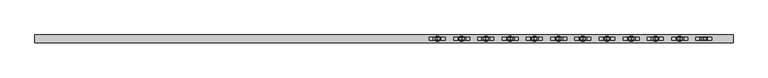
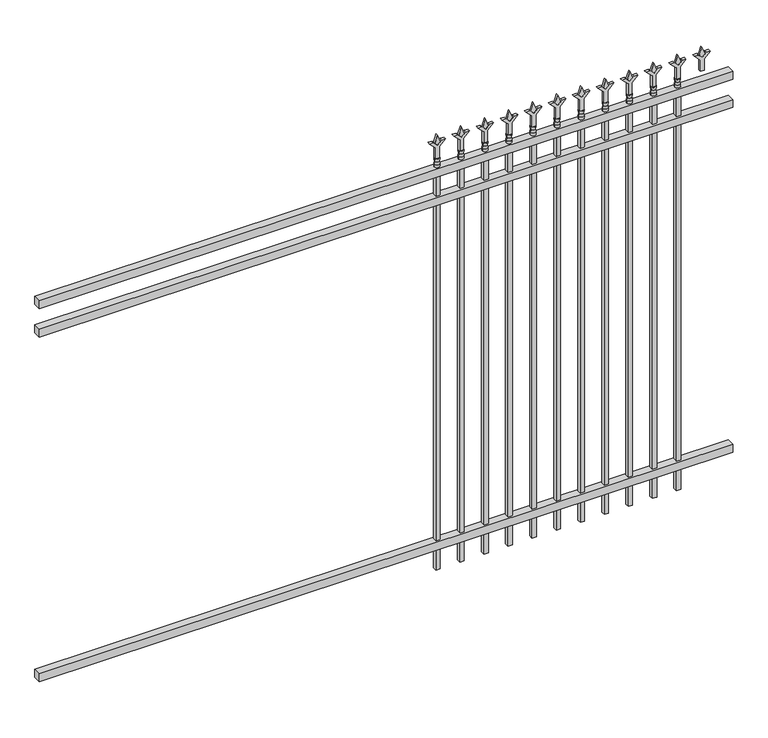
"""IFC4 building model written with IfcOpenShell, lengths in millimetres: railing geometry."""

from ifc_helpers import new_model, si_unit, frame, origin, place, context, project, spatial, polyline, circle_curve, outline, extrude, source, transform, mapped, element, save
from ifc_brep_helpers import plane_surface, cylinder_surface, revolved_surface, advanced_brep


def railing_8362f652(model_context):
    return source(origin(), model_context, "Body", "SolidModel", [
        extrude(outline(polyline([(-61345.318087, -3091.1195174), (-61345.318087, -3056.1945174), (-58195.718087, -3056.1945174), (-58195.718087, -3091.1195174), (-61345.318087, -3091.1195174)])), frame((0.0, 0.0, 1943.1), z_axis=(0.0, 0.0, 1.0), x_axis=(1.0, 0.0, 0.0)), (0.0, 0.0, 1.0), 38.1),
        extrude(outline(polyline([(-61345.318087, -3091.1195174), (-61345.318087, -3056.1945174), (-58195.718087, -3056.1945174), (-58195.718087, -3091.1195174), (-61345.318087, -3091.1195174)])), frame((0.0, 0.0, 1806.575), z_axis=(0.0, 0.0, 1.0), x_axis=(1.0, 0.0, 0.0)), (0.0, 0.0, 1.0), 38.1),
        extrude(outline(polyline([(-61345.318087, -3091.1195174), (-61345.318087, -3056.1945174), (-58195.718087, -3056.1945174), (-58195.718087, -3091.1195174), (-61345.318087, -3091.1195174)])), frame((0.0, 0.0, 152.4), z_axis=(0.0, 0.0, 1.0), x_axis=(1.0, 0.0, 0.0)), (0.0, 0.0, 1.0), 38.1),
        extrude(outline(polyline([(2097.88125, -58424.8472536), (2133.6, -58436.7535036), (2097.88125, -58448.6597536), (2085.975, -58436.7535036), (2097.88125, -58424.8472536)])), frame((0.0, -3078.4195174, 0.0), z_axis=(0.0, 1.0, 0.0), x_axis=(0.0, 0.0, 1.0)), (0.0, 0.0, 1.0), 9.525),
        extrude(outline(polyline([(2022.475, -58428.0222536), (2076.7457378, -58428.0222536), (2103.9355122, -58400.8324791), (2103.9355122, -58418.7929914), (2085.975, -58436.7535036), (2103.9355122, -58454.7140159), (2103.9355122, -58472.6745281), (2076.7457378, -58445.4847536), (2022.475, -58445.4847536), (2022.475, -58428.0222536)])), frame((0.0, -3080.0070174, 0.0), z_axis=(0.0, 1.0, 0.0), x_axis=(0.0, 0.0, 1.0)), (0.0, 0.0, 1.0), 12.7),
        advanced_brep(
        [(-58424.8472536, -3073.6570174, 1993.9), (-58448.6597536, -3073.6570174, 1993.9), (-58448.6597536, -3073.6570174, 1981.2), (-58424.8472536, -3073.6570174, 1981.2), (-58427.0525855, -3073.6570174, 2006.4070585), (-58446.4544218, -3073.6570174, 2006.4070585), (-58424.8472536, -3073.6570174, 2022.475), (-58448.6597536, -3073.6570174, 2022.475), (-58436.7535036, -3073.6570174, 2022.475), (-58436.7535036, -3073.6570174, 1981.2)],
        [
            (0, 1, circle_curve(frame((-58436.7535036, -3073.6570174, 1993.9), z_axis=(0.0, 0.0, -1.0), x_axis=(-1.0, 0.0, 0.0)), 11.90625)),
            (1, 2),
            (2, 3, circle_curve(frame((-58436.7535036, -3073.6570174, 1981.2), z_axis=(0.0, 0.0, 1.0), x_axis=(-1.0, 0.0, 0.0)), 11.90625)),
            (3, 0),
            (1, 0, circle_curve(frame((-58436.7535036, -3073.6570174, 1993.9), z_axis=(0.0, 0.0, -1.0), x_axis=(-1.0, 0.0, 0.0)), 11.90625)),
            (3, 2, circle_curve(frame((-58436.7535036, -3073.6570174, 1981.2), z_axis=(0.0, 0.0, 1.0), x_axis=(-1.0, 0.0, 0.0)), 11.90625)),
            (4, 5, circle_curve(frame((-58436.7535036, -3073.6570174, 2006.4070585), z_axis=(0.0, 0.0, -1.0), x_axis=(-1.0, 0.0, 0.0)), 9.7009181)),
            (5, 1),
            (0, 4),
            (5, 4, circle_curve(frame((-58436.7535036, -3073.6570174, 2006.4070585), z_axis=(0.0, 0.0, -1.0), x_axis=(-1.0, 0.0, 0.0)), 9.7009181)),
            (6, 7, circle_curve(frame((-58436.7535036, -3073.6570174, 2022.475), z_axis=(0.0, 0.0, -1.0), x_axis=(-1.0, 0.0, 0.0)), 11.90625)),
            (7, 5),
            (4, 6),
            (7, 6, circle_curve(frame((-58436.7535036, -3073.6570174, 2022.475), z_axis=(0.0, 0.0, -1.0), x_axis=(-1.0, 0.0, 0.0)), 11.90625)),
            (8, 7),
            (6, 8),
            (2, 9),
            (9, 3),
        ],
        [
            cylinder_surface(frame((-58436.7535036, -3073.6570174, 1981.2), z_axis=(0.0, 0.0, 1.0), x_axis=(-1.0, 0.0, 0.0)), 11.90625),
            revolved_surface(polyline([(-58448.6597536, -3073.6570174, 1993.9), (-58446.4544218, -3073.6570174, 2006.4070585)]), (-58436.7535036, -3073.6570174, 1981.2), (0.0, 0.0, 1.0)),
            revolved_surface(polyline([(-58446.4544218, -3073.6570174, 2006.4070585), (-58448.6597536, -3073.6570174, 2022.475)]), (-58436.7535036, -3073.6570174, 1981.2), (0.0, 0.0, 1.0)),
            plane_surface(frame((-58436.7535036, -3073.6570174, 2022.475), z_axis=(0.0, 0.0, 1.0), x_axis=(-1.0, 0.0, 0.0))),
            plane_surface(frame((-58436.7535036, -3073.6570174, 1981.2), z_axis=(0.0, 0.0, -1.0), x_axis=(-1.0, 0.0, 0.0))),
        ],
        [
            (0, [[1, 2, 3, 4]]),
            (0, [[5, -4, 6, -2]]),
            (1, [[7, 8, -1, 9]]),
            (1, [[10, -9, -5, -8]]),
            (2, [[11, 12, -7, 13]]),
            (2, [[14, -13, -10, -12]]),
            (3, [[15, -11, 16]]),
            (3, [[-16, -14, -15]]),
            (4, [[-3, 17, 18]]),
            (4, [[-6, -18, -17]]),
        ],
    ),
        extrude(outline(polyline([(-58446.2785036, -3064.1320174), (-58427.2285036, -3064.1320174), (-58427.2285036, -3083.1820174), (-58446.2785036, -3083.1820174), (-58446.2785036, -3064.1320174)])), frame((0.0, 0.0, 50.8), z_axis=(0.0, 0.0, 1.0), x_axis=(1.0, 0.0, 0.0)), (0.0, 0.0, 1.0), 1930.4),
        extrude(outline(polyline([(2097.88125, -58534.1201703), (2133.6, -58546.0264203), (2097.88125, -58557.9326703), (2085.975, -58546.0264203), (2097.88125, -58534.1201703)])), frame((0.0, -3078.4195174, 0.0), z_axis=(0.0, 1.0, 0.0), x_axis=(0.0, 0.0, 1.0)), (0.0, 0.0, 1.0), 9.525),
        extrude(outline(polyline([(2022.475, -58537.2951703), (2076.7457378, -58537.2951703), (2103.9355122, -58510.1053958), (2103.9355122, -58528.0659081), (2085.975, -58546.0264203), (2103.9355122, -58563.9869325), (2103.9355122, -58581.9474448), (2076.7457378, -58554.7576703), (2022.475, -58554.7576703), (2022.475, -58537.2951703)])), frame((0.0, -3080.0070174, 0.0), z_axis=(0.0, 1.0, 0.0), x_axis=(0.0, 0.0, 1.0)), (0.0, 0.0, 1.0), 12.7),
        advanced_brep(
        [(-58534.1201703, -3073.6570174, 1993.9), (-58557.9326703, -3073.6570174, 1993.9), (-58557.9326703, -3073.6570174, 1981.2), (-58534.1201703, -3073.6570174, 1981.2), (-58536.3255022, -3073.6570174, 2006.4070585), (-58555.7273384, -3073.6570174, 2006.4070585), (-58534.1201703, -3073.6570174, 2022.475), (-58557.9326703, -3073.6570174, 2022.475), (-58546.0264203, -3073.6570174, 2022.475), (-58546.0264203, -3073.6570174, 1981.2)],
        [
            (0, 1, circle_curve(frame((-58546.0264203, -3073.6570174, 1993.9), z_axis=(0.0, 0.0, -1.0), x_axis=(-1.0, 0.0, 0.0)), 11.90625)),
            (1, 2),
            (2, 3, circle_curve(frame((-58546.0264203, -3073.6570174, 1981.2), z_axis=(0.0, 0.0, 1.0), x_axis=(-1.0, 0.0, 0.0)), 11.90625)),
            (3, 0),
            (1, 0, circle_curve(frame((-58546.0264203, -3073.6570174, 1993.9), z_axis=(0.0, 0.0, -1.0), x_axis=(-1.0, 0.0, 0.0)), 11.90625)),
            (3, 2, circle_curve(frame((-58546.0264203, -3073.6570174, 1981.2), z_axis=(0.0, 0.0, 1.0), x_axis=(-1.0, 0.0, 0.0)), 11.90625)),
            (4, 5, circle_curve(frame((-58546.0264203, -3073.6570174, 2006.4070585), z_axis=(0.0, 0.0, -1.0), x_axis=(-1.0, 0.0, 0.0)), 9.7009181)),
            (5, 1),
            (0, 4),
            (5, 4, circle_curve(frame((-58546.0264203, -3073.6570174, 2006.4070585), z_axis=(0.0, 0.0, -1.0), x_axis=(-1.0, 0.0, 0.0)), 9.7009181)),
            (6, 7, circle_curve(frame((-58546.0264203, -3073.6570174, 2022.475), z_axis=(0.0, 0.0, -1.0), x_axis=(-1.0, 0.0, 0.0)), 11.90625)),
            (7, 5),
            (4, 6),
            (7, 6, circle_curve(frame((-58546.0264203, -3073.6570174, 2022.475), z_axis=(0.0, 0.0, -1.0), x_axis=(-1.0, 0.0, 0.0)), 11.90625)),
            (8, 7),
            (6, 8),
            (2, 9),
            (9, 3),
        ],
        [
            cylinder_surface(frame((-58546.0264203, -3073.6570174, 1981.2), z_axis=(0.0, 0.0, 1.0), x_axis=(-1.0, 0.0, 0.0)), 11.90625),
            revolved_surface(polyline([(-58557.9326703, -3073.6570174, 1993.9), (-58555.7273384, -3073.6570174, 2006.4070585)]), (-58546.0264203, -3073.6570174, 1981.2), (0.0, 0.0, 1.0)),
            revolved_surface(polyline([(-58555.7273384, -3073.6570174, 2006.4070585), (-58557.9326703, -3073.6570174, 2022.475)]), (-58546.0264203, -3073.6570174, 1981.2), (0.0, 0.0, 1.0)),
            plane_surface(frame((-58546.0264203, -3073.6570174, 2022.475), z_axis=(0.0, 0.0, 1.0), x_axis=(-1.0, 0.0, 0.0))),
            plane_surface(frame((-58546.0264203, -3073.6570174, 1981.2), z_axis=(0.0, 0.0, -1.0), x_axis=(-1.0, 0.0, 0.0))),
        ],
        [
            (0, [[1, 2, 3, 4]]),
            (0, [[5, -4, 6, -2]]),
            (1, [[7, 8, -1, 9]]),
            (1, [[10, -9, -5, -8]]),
            (2, [[11, 12, -7, 13]]),
            (2, [[14, -13, -10, -12]]),
            (3, [[15, -11, 16]]),
            (3, [[-16, -14, -15]]),
            (4, [[-3, 17, 18]]),
            (4, [[-6, -18, -17]]),
        ],
    ),
        extrude(outline(polyline([(-58555.5514203, -3064.1320174), (-58536.5014203, -3064.1320174), (-58536.5014203, -3083.1820174), (-58555.5514203, -3083.1820174), (-58555.5514203, -3064.1320174)])), frame((0.0, 0.0, 50.8), z_axis=(0.0, 0.0, 1.0), x_axis=(1.0, 0.0, 0.0)), (0.0, 0.0, 1.0), 1930.4),
        extrude(outline(polyline([(2097.88125, -58643.393087), (2133.6, -58655.299337), (2097.88125, -58667.205587), (2085.975, -58655.299337), (2097.88125, -58643.393087)])), frame((0.0, -3078.4195174, 0.0), z_axis=(0.0, 1.0, 0.0), x_axis=(0.0, 0.0, 1.0)), (0.0, 0.0, 1.0), 9.525),
        extrude(outline(polyline([(2022.475, -58646.568087), (2076.7457378, -58646.568087), (2103.9355122, -58619.3783125), (2103.9355122, -58637.3388247), (2085.975, -58655.299337), (2103.9355122, -58673.2598492), (2103.9355122, -58691.2203614), (2076.7457378, -58664.030587), (2022.475, -58664.030587), (2022.475, -58646.568087)])), frame((0.0, -3080.0070174, 0.0), z_axis=(0.0, 1.0, 0.0), x_axis=(0.0, 0.0, 1.0)), (0.0, 0.0, 1.0), 12.7),
        advanced_brep(
        [(-58643.393087, -3073.6570174, 1993.9), (-58667.205587, -3073.6570174, 1993.9), (-58667.205587, -3073.6570174, 1981.2), (-58643.393087, -3073.6570174, 1981.2), (-58645.5984188, -3073.6570174, 2006.4070585), (-58665.0002551, -3073.6570174, 2006.4070585), (-58643.393087, -3073.6570174, 2022.475), (-58667.205587, -3073.6570174, 2022.475), (-58655.299337, -3073.6570174, 2022.475), (-58655.299337, -3073.6570174, 1981.2)],
        [
            (0, 1, circle_curve(frame((-58655.299337, -3073.6570174, 1993.9), z_axis=(0.0, 0.0, -1.0), x_axis=(-1.0, 0.0, 0.0)), 11.90625)),
            (1, 2),
            (2, 3, circle_curve(frame((-58655.299337, -3073.6570174, 1981.2), z_axis=(0.0, 0.0, 1.0), x_axis=(-1.0, 0.0, 0.0)), 11.90625)),
            (3, 0),
            (1, 0, circle_curve(frame((-58655.299337, -3073.6570174, 1993.9), z_axis=(0.0, 0.0, -1.0), x_axis=(-1.0, 0.0, 0.0)), 11.90625)),
            (3, 2, circle_curve(frame((-58655.299337, -3073.6570174, 1981.2), z_axis=(0.0, 0.0, 1.0), x_axis=(-1.0, 0.0, 0.0)), 11.90625)),
            (4, 5, circle_curve(frame((-58655.299337, -3073.6570174, 2006.4070585), z_axis=(0.0, 0.0, -1.0), x_axis=(-1.0, 0.0, 0.0)), 9.7009181)),
            (5, 1),
            (0, 4),
            (5, 4, circle_curve(frame((-58655.299337, -3073.6570174, 2006.4070585), z_axis=(0.0, 0.0, -1.0), x_axis=(-1.0, 0.0, 0.0)), 9.7009181)),
            (6, 7, circle_curve(frame((-58655.299337, -3073.6570174, 2022.475), z_axis=(0.0, 0.0, -1.0), x_axis=(-1.0, 0.0, 0.0)), 11.90625)),
            (7, 5),
            (4, 6),
            (7, 6, circle_curve(frame((-58655.299337, -3073.6570174, 2022.475), z_axis=(0.0, 0.0, -1.0), x_axis=(-1.0, 0.0, 0.0)), 11.90625)),
            (8, 7),
            (6, 8),
            (2, 9),
            (9, 3),
        ],
        [
            cylinder_surface(frame((-58655.299337, -3073.6570174, 1981.2), z_axis=(0.0, 0.0, 1.0), x_axis=(-1.0, 0.0, 0.0)), 11.90625),
            revolved_surface(polyline([(-58667.205587, -3073.6570174, 1993.9), (-58665.0002551, -3073.6570174, 2006.4070585)]), (-58655.299337, -3073.6570174, 1981.2), (0.0, 0.0, 1.0)),
            revolved_surface(polyline([(-58665.0002551, -3073.6570174, 2006.4070585), (-58667.205587, -3073.6570174, 2022.475)]), (-58655.299337, -3073.6570174, 1981.2), (0.0, 0.0, 1.0)),
            plane_surface(frame((-58655.299337, -3073.6570174, 2022.475), z_axis=(0.0, 0.0, 1.0), x_axis=(-1.0, 0.0, 0.0))),
            plane_surface(frame((-58655.299337, -3073.6570174, 1981.2), z_axis=(0.0, 0.0, -1.0), x_axis=(-1.0, 0.0, 0.0))),
        ],
        [
            (0, [[1, 2, 3, 4]]),
            (0, [[5, -4, 6, -2]]),
            (1, [[7, 8, -1, 9]]),
            (1, [[10, -9, -5, -8]]),
            (2, [[11, 12, -7, 13]]),
            (2, [[14, -13, -10, -12]]),
            (3, [[15, -11, 16]]),
            (3, [[-16, -14, -15]]),
            (4, [[-3, 17, 18]]),
            (4, [[-6, -18, -17]]),
        ],
    ),
        extrude(outline(polyline([(-58664.824337, -3064.1320174), (-58645.774337, -3064.1320174), (-58645.774337, -3083.1820174), (-58664.824337, -3083.1820174), (-58664.824337, -3064.1320174)])), frame((0.0, 0.0, 50.8), z_axis=(0.0, 0.0, 1.0), x_axis=(1.0, 0.0, 0.0)), (0.0, 0.0, 1.0), 1930.4),
        extrude(outline(polyline([(2097.88125, -58752.6660036), (2133.6, -58764.5722536), (2097.88125, -58776.4785036), (2085.975, -58764.5722536), (2097.88125, -58752.6660036)])), frame((0.0, -3078.4195174, 0.0), z_axis=(0.0, 1.0, 0.0), x_axis=(0.0, 0.0, 1.0)), (0.0, 0.0, 1.0), 9.525),
        extrude(outline(polyline([(2022.475, -58755.8410036), (2076.7457378, -58755.8410036), (2103.9355122, -58728.6512291), (2103.9355122, -58746.6117414), (2085.975, -58764.5722536), (2103.9355122, -58782.5327659), (2103.9355122, -58800.4932781), (2076.7457378, -58773.3035036), (2022.475, -58773.3035036), (2022.475, -58755.8410036)])), frame((0.0, -3080.0070174, 0.0), z_axis=(0.0, 1.0, 0.0), x_axis=(0.0, 0.0, 1.0)), (0.0, 0.0, 1.0), 12.7),
        advanced_brep(
        [(-58752.6660036, -3073.6570174, 1993.9), (-58776.4785036, -3073.6570174, 1993.9), (-58776.4785036, -3073.6570174, 1981.2), (-58752.6660036, -3073.6570174, 1981.2), (-58754.8713355, -3073.6570174, 2006.4070585), (-58774.2731718, -3073.6570174, 2006.4070585), (-58752.6660036, -3073.6570174, 2022.475), (-58776.4785036, -3073.6570174, 2022.475), (-58764.5722536, -3073.6570174, 2022.475), (-58764.5722536, -3073.6570174, 1981.2)],
        [
            (0, 1, circle_curve(frame((-58764.5722536, -3073.6570174, 1993.9), z_axis=(0.0, 0.0, -1.0), x_axis=(-1.0, 0.0, 0.0)), 11.90625)),
            (1, 2),
            (2, 3, circle_curve(frame((-58764.5722536, -3073.6570174, 1981.2), z_axis=(0.0, 0.0, 1.0), x_axis=(-1.0, 0.0, 0.0)), 11.90625)),
            (3, 0),
            (1, 0, circle_curve(frame((-58764.5722536, -3073.6570174, 1993.9), z_axis=(0.0, 0.0, -1.0), x_axis=(-1.0, 0.0, 0.0)), 11.90625)),
            (3, 2, circle_curve(frame((-58764.5722536, -3073.6570174, 1981.2), z_axis=(0.0, 0.0, 1.0), x_axis=(-1.0, 0.0, 0.0)), 11.90625)),
            (4, 5, circle_curve(frame((-58764.5722536, -3073.6570174, 2006.4070585), z_axis=(0.0, 0.0, -1.0), x_axis=(-1.0, 0.0, 0.0)), 9.7009181)),
            (5, 1),
            (0, 4),
            (5, 4, circle_curve(frame((-58764.5722536, -3073.6570174, 2006.4070585), z_axis=(0.0, 0.0, -1.0), x_axis=(-1.0, 0.0, 0.0)), 9.7009181)),
            (6, 7, circle_curve(frame((-58764.5722536, -3073.6570174, 2022.475), z_axis=(0.0, 0.0, -1.0), x_axis=(-1.0, 0.0, 0.0)), 11.90625)),
            (7, 5),
            (4, 6),
            (7, 6, circle_curve(frame((-58764.5722536, -3073.6570174, 2022.475), z_axis=(0.0, 0.0, -1.0), x_axis=(-1.0, 0.0, 0.0)), 11.90625)),
            (8, 7),
            (6, 8),
            (2, 9),
            (9, 3),
        ],
        [
            cylinder_surface(frame((-58764.5722536, -3073.6570174, 1981.2), z_axis=(0.0, 0.0, 1.0), x_axis=(-1.0, 0.0, 0.0)), 11.90625),
            revolved_surface(polyline([(-58776.4785036, -3073.6570174, 1993.9), (-58774.2731718, -3073.6570174, 2006.4070585)]), (-58764.5722536, -3073.6570174, 1981.2), (0.0, 0.0, 1.0)),
            revolved_surface(polyline([(-58774.2731718, -3073.6570174, 2006.4070585), (-58776.4785036, -3073.6570174, 2022.475)]), (-58764.5722536, -3073.6570174, 1981.2), (0.0, 0.0, 1.0)),
            plane_surface(frame((-58764.5722536, -3073.6570174, 2022.475), z_axis=(0.0, 0.0, 1.0), x_axis=(-1.0, 0.0, 0.0))),
            plane_surface(frame((-58764.5722536, -3073.6570174, 1981.2), z_axis=(0.0, 0.0, -1.0), x_axis=(-1.0, 0.0, 0.0))),
        ],
        [
            (0, [[1, 2, 3, 4]]),
            (0, [[5, -4, 6, -2]]),
            (1, [[7, 8, -1, 9]]),
            (1, [[10, -9, -5, -8]]),
            (2, [[11, 12, -7, 13]]),
            (2, [[14, -13, -10, -12]]),
            (3, [[15, -11, 16]]),
            (3, [[-16, -14, -15]]),
            (4, [[-3, 17, 18]]),
            (4, [[-6, -18, -17]]),
        ],
    ),
        extrude(outline(polyline([(-58774.0972536, -3064.1320174), (-58755.0472536, -3064.1320174), (-58755.0472536, -3083.1820174), (-58774.0972536, -3083.1820174), (-58774.0972536, -3064.1320174)])), frame((0.0, 0.0, 50.8), z_axis=(0.0, 0.0, 1.0), x_axis=(1.0, 0.0, 0.0)), (0.0, 0.0, 1.0), 1930.4),
        extrude(outline(polyline([(2097.88125, -58861.9389203), (2133.6, -58873.8451703), (2097.88125, -58885.7514203), (2085.975, -58873.8451703), (2097.88125, -58861.9389203)])), frame((0.0, -3078.4195174, 0.0), z_axis=(0.0, 1.0, 0.0), x_axis=(0.0, 0.0, 1.0)), (0.0, 0.0, 1.0), 9.525),
        extrude(outline(polyline([(2022.475, -58865.1139203), (2076.7457378, -58865.1139203), (2103.9355122, -58837.9241458), (2103.9355122, -58855.8846581), (2085.975, -58873.8451703), (2103.9355122, -58891.8056825), (2103.9355122, -58909.7661948), (2076.7457378, -58882.5764203), (2022.475, -58882.5764203), (2022.475, -58865.1139203)])), frame((0.0, -3080.0070174, 0.0), z_axis=(0.0, 1.0, 0.0), x_axis=(0.0, 0.0, 1.0)), (0.0, 0.0, 1.0), 12.7),
        advanced_brep(
        [(-58861.9389203, -3073.6570174, 1993.9), (-58885.7514203, -3073.6570174, 1993.9), (-58885.7514203, -3073.6570174, 1981.2), (-58861.9389203, -3073.6570174, 1981.2), (-58864.1442522, -3073.6570174, 2006.4070585), (-58883.5460884, -3073.6570174, 2006.4070585), (-58861.9389203, -3073.6570174, 2022.475), (-58885.7514203, -3073.6570174, 2022.475), (-58873.8451703, -3073.6570174, 2022.475), (-58873.8451703, -3073.6570174, 1981.2)],
        [
            (0, 1, circle_curve(frame((-58873.8451703, -3073.6570174, 1993.9), z_axis=(0.0, 0.0, -1.0), x_axis=(-1.0, 0.0, 0.0)), 11.90625)),
            (1, 2),
            (2, 3, circle_curve(frame((-58873.8451703, -3073.6570174, 1981.2), z_axis=(0.0, 0.0, 1.0), x_axis=(-1.0, 0.0, 0.0)), 11.90625)),
            (3, 0),
            (1, 0, circle_curve(frame((-58873.8451703, -3073.6570174, 1993.9), z_axis=(0.0, 0.0, -1.0), x_axis=(-1.0, 0.0, 0.0)), 11.90625)),
            (3, 2, circle_curve(frame((-58873.8451703, -3073.6570174, 1981.2), z_axis=(0.0, 0.0, 1.0), x_axis=(-1.0, 0.0, 0.0)), 11.90625)),
            (4, 5, circle_curve(frame((-58873.8451703, -3073.6570174, 2006.4070585), z_axis=(0.0, 0.0, -1.0), x_axis=(-1.0, 0.0, 0.0)), 9.7009181)),
            (5, 1),
            (0, 4),
            (5, 4, circle_curve(frame((-58873.8451703, -3073.6570174, 2006.4070585), z_axis=(0.0, 0.0, -1.0), x_axis=(-1.0, 0.0, 0.0)), 9.7009181)),
            (6, 7, circle_curve(frame((-58873.8451703, -3073.6570174, 2022.475), z_axis=(0.0, 0.0, -1.0), x_axis=(-1.0, 0.0, 0.0)), 11.90625)),
            (7, 5),
            (4, 6),
            (7, 6, circle_curve(frame((-58873.8451703, -3073.6570174, 2022.475), z_axis=(0.0, 0.0, -1.0), x_axis=(-1.0, 0.0, 0.0)), 11.90625)),
            (8, 7),
            (6, 8),
            (2, 9),
            (9, 3),
        ],
        [
            cylinder_surface(frame((-58873.8451703, -3073.6570174, 1981.2), z_axis=(0.0, 0.0, 1.0), x_axis=(-1.0, 0.0, 0.0)), 11.90625),
            revolved_surface(polyline([(-58885.7514203, -3073.6570174, 1993.9), (-58883.5460884, -3073.6570174, 2006.4070585)]), (-58873.8451703, -3073.6570174, 1981.2), (0.0, 0.0, 1.0)),
            revolved_surface(polyline([(-58883.5460884, -3073.6570174, 2006.4070585), (-58885.7514203, -3073.6570174, 2022.475)]), (-58873.8451703, -3073.6570174, 1981.2), (0.0, 0.0, 1.0)),
            plane_surface(frame((-58873.8451703, -3073.6570174, 2022.475), z_axis=(0.0, 0.0, 1.0), x_axis=(-1.0, 0.0, 0.0))),
            plane_surface(frame((-58873.8451703, -3073.6570174, 1981.2), z_axis=(0.0, 0.0, -1.0), x_axis=(-1.0, 0.0, 0.0))),
        ],
        [
            (0, [[1, 2, 3, 4]]),
            (0, [[5, -4, 6, -2]]),
            (1, [[7, 8, -1, 9]]),
            (1, [[10, -9, -5, -8]]),
            (2, [[11, 12, -7, 13]]),
            (2, [[14, -13, -10, -12]]),
            (3, [[15, -11, 16]]),
            (3, [[-16, -14, -15]]),
            (4, [[-3, 17, 18]]),
            (4, [[-6, -18, -17]]),
        ],
    ),
        extrude(outline(polyline([(-58883.3701703, -3064.1320174), (-58864.3201703, -3064.1320174), (-58864.3201703, -3083.1820174), (-58883.3701703, -3083.1820174), (-58883.3701703, -3064.1320174)])), frame((0.0, 0.0, 50.8), z_axis=(0.0, 0.0, 1.0), x_axis=(1.0, 0.0, 0.0)), (0.0, 0.0, 1.0), 1930.4),
        extrude(outline(polyline([(2097.88125, -58971.211837), (2133.6, -58983.118087), (2097.88125, -58995.024337), (2085.975, -58983.118087), (2097.88125, -58971.211837)])), frame((0.0, -3078.4195174, 0.0), z_axis=(0.0, 1.0, 0.0), x_axis=(0.0, 0.0, 1.0)), (0.0, 0.0, 1.0), 9.525),
        extrude(outline(polyline([(2022.475, -58974.386837), (2076.7457378, -58974.386837), (2103.9355122, -58947.1970625), (2103.9355122, -58965.1575747), (2085.975, -58983.118087), (2103.9355122, -59001.0785992), (2103.9355122, -59019.0391114), (2076.7457378, -58991.849337), (2022.475, -58991.849337), (2022.475, -58974.386837)])), frame((0.0, -3080.0070174, 0.0), z_axis=(0.0, 1.0, 0.0), x_axis=(0.0, 0.0, 1.0)), (0.0, 0.0, 1.0), 12.7),
        advanced_brep(
        [(-58971.211837, -3073.6570174, 1993.9), (-58995.024337, -3073.6570174, 1993.9), (-58995.024337, -3073.6570174, 1981.2), (-58971.211837, -3073.6570174, 1981.2), (-58973.4171688, -3073.6570174, 2006.4070585), (-58992.8190051, -3073.6570174, 2006.4070585), (-58971.211837, -3073.6570174, 2022.475), (-58995.024337, -3073.6570174, 2022.475), (-58983.118087, -3073.6570174, 2022.475), (-58983.118087, -3073.6570174, 1981.2)],
        [
            (0, 1, circle_curve(frame((-58983.118087, -3073.6570174, 1993.9), z_axis=(0.0, 0.0, -1.0), x_axis=(-1.0, 0.0, 0.0)), 11.90625)),
            (1, 2),
            (2, 3, circle_curve(frame((-58983.118087, -3073.6570174, 1981.2), z_axis=(0.0, 0.0, 1.0), x_axis=(-1.0, 0.0, 0.0)), 11.90625)),
            (3, 0),
            (1, 0, circle_curve(frame((-58983.118087, -3073.6570174, 1993.9), z_axis=(0.0, 0.0, -1.0), x_axis=(-1.0, 0.0, 0.0)), 11.90625)),
            (3, 2, circle_curve(frame((-58983.118087, -3073.6570174, 1981.2), z_axis=(0.0, 0.0, 1.0), x_axis=(-1.0, 0.0, 0.0)), 11.90625)),
            (4, 5, circle_curve(frame((-58983.118087, -3073.6570174, 2006.4070585), z_axis=(0.0, 0.0, -1.0), x_axis=(-1.0, 0.0, 0.0)), 9.7009181)),
            (5, 1),
            (0, 4),
            (5, 4, circle_curve(frame((-58983.118087, -3073.6570174, 2006.4070585), z_axis=(0.0, 0.0, -1.0), x_axis=(-1.0, 0.0, 0.0)), 9.7009181)),
            (6, 7, circle_curve(frame((-58983.118087, -3073.6570174, 2022.475), z_axis=(0.0, 0.0, -1.0), x_axis=(-1.0, 0.0, 0.0)), 11.90625)),
            (7, 5),
            (4, 6),
            (7, 6, circle_curve(frame((-58983.118087, -3073.6570174, 2022.475), z_axis=(0.0, 0.0, -1.0), x_axis=(-1.0, 0.0, 0.0)), 11.90625)),
            (8, 7),
            (6, 8),
            (2, 9),
            (9, 3),
        ],
        [
            cylinder_surface(frame((-58983.118087, -3073.6570174, 1981.2), z_axis=(0.0, 0.0, 1.0), x_axis=(-1.0, 0.0, 0.0)), 11.90625),
            revolved_surface(polyline([(-58995.024337, -3073.6570174, 1993.9), (-58992.8190051, -3073.6570174, 2006.4070585)]), (-58983.118087, -3073.6570174, 1981.2), (0.0, 0.0, 1.0)),
            revolved_surface(polyline([(-58992.8190051, -3073.6570174, 2006.4070585), (-58995.024337, -3073.6570174, 2022.475)]), (-58983.118087, -3073.6570174, 1981.2), (0.0, 0.0, 1.0)),
            plane_surface(frame((-58983.118087, -3073.6570174, 2022.475), z_axis=(0.0, 0.0, 1.0), x_axis=(-1.0, 0.0, 0.0))),
            plane_surface(frame((-58983.118087, -3073.6570174, 1981.2), z_axis=(0.0, 0.0, -1.0), x_axis=(-1.0, 0.0, 0.0))),
        ],
        [
            (0, [[1, 2, 3, 4]]),
            (0, [[5, -4, 6, -2]]),
            (1, [[7, 8, -1, 9]]),
            (1, [[10, -9, -5, -8]]),
            (2, [[11, 12, -7, 13]]),
            (2, [[14, -13, -10, -12]]),
            (3, [[15, -11, 16]]),
            (3, [[-16, -14, -15]]),
            (4, [[-3, 17, 18]]),
            (4, [[-6, -18, -17]]),
        ],
    ),
        extrude(outline(polyline([(-58992.643087, -3064.1320174), (-58973.593087, -3064.1320174), (-58973.593087, -3083.1820174), (-58992.643087, -3083.1820174), (-58992.643087, -3064.1320174)])), frame((0.0, 0.0, 50.8), z_axis=(0.0, 0.0, 1.0), x_axis=(1.0, 0.0, 0.0)), (0.0, 0.0, 1.0), 1930.4),
        extrude(outline(polyline([(2097.88125, -59080.4847536), (2133.6, -59092.3910036), (2097.88125, -59104.2972536), (2085.975, -59092.3910036), (2097.88125, -59080.4847536)])), frame((0.0, -3078.4195174, 0.0), z_axis=(0.0, 1.0, 0.0), x_axis=(0.0, 0.0, 1.0)), (0.0, 0.0, 1.0), 9.525),
        extrude(outline(polyline([(2022.475, -59083.6597536), (2076.7457378, -59083.6597536), (2103.9355122, -59056.4699791), (2103.9355122, -59074.4304914), (2085.975, -59092.3910036), (2103.9355122, -59110.3515159), (2103.9355122, -59128.3120281), (2076.7457378, -59101.1222536), (2022.475, -59101.1222536), (2022.475, -59083.6597536)])), frame((0.0, -3080.0070174, 0.0), z_axis=(0.0, 1.0, 0.0), x_axis=(0.0, 0.0, 1.0)), (0.0, 0.0, 1.0), 12.7),
        advanced_brep(
        [(-59080.4847536, -3073.6570174, 1993.9), (-59104.2972536, -3073.6570174, 1993.9), (-59104.2972536, -3073.6570174, 1981.2), (-59080.4847536, -3073.6570174, 1981.2), (-59082.6900855, -3073.6570174, 2006.4070585), (-59102.0919218, -3073.6570174, 2006.4070585), (-59080.4847536, -3073.6570174, 2022.475), (-59104.2972536, -3073.6570174, 2022.475), (-59092.3910036, -3073.6570174, 2022.475), (-59092.3910036, -3073.6570174, 1981.2)],
        [
            (0, 1, circle_curve(frame((-59092.3910036, -3073.6570174, 1993.9), z_axis=(0.0, 0.0, -1.0), x_axis=(-1.0, 0.0, 0.0)), 11.90625)),
            (1, 2),
            (2, 3, circle_curve(frame((-59092.3910036, -3073.6570174, 1981.2), z_axis=(0.0, 0.0, 1.0), x_axis=(-1.0, 0.0, 0.0)), 11.90625)),
            (3, 0),
            (1, 0, circle_curve(frame((-59092.3910036, -3073.6570174, 1993.9), z_axis=(0.0, 0.0, -1.0), x_axis=(-1.0, 0.0, 0.0)), 11.90625)),
            (3, 2, circle_curve(frame((-59092.3910036, -3073.6570174, 1981.2), z_axis=(0.0, 0.0, 1.0), x_axis=(-1.0, 0.0, 0.0)), 11.90625)),
            (4, 5, circle_curve(frame((-59092.3910036, -3073.6570174, 2006.4070585), z_axis=(0.0, 0.0, -1.0), x_axis=(-1.0, 0.0, 0.0)), 9.7009181)),
            (5, 1),
            (0, 4),
            (5, 4, circle_curve(frame((-59092.3910036, -3073.6570174, 2006.4070585), z_axis=(0.0, 0.0, -1.0), x_axis=(-1.0, 0.0, 0.0)), 9.7009181)),
            (6, 7, circle_curve(frame((-59092.3910036, -3073.6570174, 2022.475), z_axis=(0.0, 0.0, -1.0), x_axis=(-1.0, 0.0, 0.0)), 11.90625)),
            (7, 5),
            (4, 6),
            (7, 6, circle_curve(frame((-59092.3910036, -3073.6570174, 2022.475), z_axis=(0.0, 0.0, -1.0), x_axis=(-1.0, 0.0, 0.0)), 11.90625)),
            (8, 7),
            (6, 8),
            (2, 9),
            (9, 3),
        ],
        [
            cylinder_surface(frame((-59092.3910036, -3073.6570174, 1981.2), z_axis=(0.0, 0.0, 1.0), x_axis=(-1.0, 0.0, 0.0)), 11.90625),
            revolved_surface(polyline([(-59104.2972536, -3073.6570174, 1993.9), (-59102.0919218, -3073.6570174, 2006.4070585)]), (-59092.3910036, -3073.6570174, 1981.2), (0.0, 0.0, 1.0)),
            revolved_surface(polyline([(-59102.0919218, -3073.6570174, 2006.4070585), (-59104.2972536, -3073.6570174, 2022.475)]), (-59092.3910036, -3073.6570174, 1981.2), (0.0, 0.0, 1.0)),
            plane_surface(frame((-59092.3910036, -3073.6570174, 2022.475), z_axis=(0.0, 0.0, 1.0), x_axis=(-1.0, 0.0, 0.0))),
            plane_surface(frame((-59092.3910036, -3073.6570174, 1981.2), z_axis=(0.0, 0.0, -1.0), x_axis=(-1.0, 0.0, 0.0))),
        ],
        [
            (0, [[1, 2, 3, 4]]),
            (0, [[5, -4, 6, -2]]),
            (1, [[7, 8, -1, 9]]),
            (1, [[10, -9, -5, -8]]),
            (2, [[11, 12, -7, 13]]),
            (2, [[14, -13, -10, -12]]),
            (3, [[15, -11, 16]]),
            (3, [[-16, -14, -15]]),
            (4, [[-3, 17, 18]]),
            (4, [[-6, -18, -17]]),
        ],
    ),
        extrude(outline(polyline([(-59101.9160036, -3064.1320174), (-59082.8660036, -3064.1320174), (-59082.8660036, -3083.1820174), (-59101.9160036, -3083.1820174), (-59101.9160036, -3064.1320174)])), frame((0.0, 0.0, 50.8), z_axis=(0.0, 0.0, 1.0), x_axis=(1.0, 0.0, 0.0)), (0.0, 0.0, 1.0), 1930.4),
        extrude(outline(polyline([(2097.88125, -59189.7576703), (2133.6, -59201.6639203), (2097.88125, -59213.5701703), (2085.975, -59201.6639203), (2097.88125, -59189.7576703)])), frame((0.0, -3078.4195174, 0.0), z_axis=(0.0, 1.0, 0.0), x_axis=(0.0, 0.0, 1.0)), (0.0, 0.0, 1.0), 9.525),
        extrude(outline(polyline([(2022.475, -59192.9326703), (2076.7457378, -59192.9326703), (2103.9355122, -59165.7428958), (2103.9355122, -59183.7034081), (2085.975, -59201.6639203), (2103.9355122, -59219.6244325), (2103.9355122, -59237.5849448), (2076.7457378, -59210.3951703), (2022.475, -59210.3951703), (2022.475, -59192.9326703)])), frame((0.0, -3080.0070174, 0.0), z_axis=(0.0, 1.0, 0.0), x_axis=(0.0, 0.0, 1.0)), (0.0, 0.0, 1.0), 12.7),
        advanced_brep(
        [(-59189.7576703, -3073.6570174, 1993.9), (-59213.5701703, -3073.6570174, 1993.9), (-59213.5701703, -3073.6570174, 1981.2), (-59189.7576703, -3073.6570174, 1981.2), (-59191.9630022, -3073.6570174, 2006.4070585), (-59211.3648384, -3073.6570174, 2006.4070585), (-59189.7576703, -3073.6570174, 2022.475), (-59213.5701703, -3073.6570174, 2022.475), (-59201.6639203, -3073.6570174, 2022.475), (-59201.6639203, -3073.6570174, 1981.2)],
        [
            (0, 1, circle_curve(frame((-59201.6639203, -3073.6570174, 1993.9), z_axis=(0.0, 0.0, -1.0), x_axis=(-1.0, 0.0, 0.0)), 11.90625)),
            (1, 2),
            (2, 3, circle_curve(frame((-59201.6639203, -3073.6570174, 1981.2), z_axis=(0.0, 0.0, 1.0), x_axis=(-1.0, 0.0, 0.0)), 11.90625)),
            (3, 0),
            (1, 0, circle_curve(frame((-59201.6639203, -3073.6570174, 1993.9), z_axis=(0.0, 0.0, -1.0), x_axis=(-1.0, 0.0, 0.0)), 11.90625)),
            (3, 2, circle_curve(frame((-59201.6639203, -3073.6570174, 1981.2), z_axis=(0.0, 0.0, 1.0), x_axis=(-1.0, 0.0, 0.0)), 11.90625)),
            (4, 5, circle_curve(frame((-59201.6639203, -3073.6570174, 2006.4070585), z_axis=(0.0, 0.0, -1.0), x_axis=(-1.0, 0.0, 0.0)), 9.7009181)),
            (5, 1),
            (0, 4),
            (5, 4, circle_curve(frame((-59201.6639203, -3073.6570174, 2006.4070585), z_axis=(0.0, 0.0, -1.0), x_axis=(-1.0, 0.0, 0.0)), 9.7009181)),
            (6, 7, circle_curve(frame((-59201.6639203, -3073.6570174, 2022.475), z_axis=(0.0, 0.0, -1.0), x_axis=(-1.0, 0.0, 0.0)), 11.90625)),
            (7, 5),
            (4, 6),
            (7, 6, circle_curve(frame((-59201.6639203, -3073.6570174, 2022.475), z_axis=(0.0, 0.0, -1.0), x_axis=(-1.0, 0.0, 0.0)), 11.90625)),
            (8, 7),
            (6, 8),
            (2, 9),
            (9, 3),
        ],
        [
            cylinder_surface(frame((-59201.6639203, -3073.6570174, 1981.2), z_axis=(0.0, 0.0, 1.0), x_axis=(-1.0, 0.0, 0.0)), 11.90625),
            revolved_surface(polyline([(-59213.5701703, -3073.6570174, 1993.9), (-59211.3648384, -3073.6570174, 2006.4070585)]), (-59201.6639203, -3073.6570174, 1981.2), (0.0, 0.0, 1.0)),
            revolved_surface(polyline([(-59211.3648384, -3073.6570174, 2006.4070585), (-59213.5701703, -3073.6570174, 2022.475)]), (-59201.6639203, -3073.6570174, 1981.2), (0.0, 0.0, 1.0)),
            plane_surface(frame((-59201.6639203, -3073.6570174, 2022.475), z_axis=(0.0, 0.0, 1.0), x_axis=(-1.0, 0.0, 0.0))),
            plane_surface(frame((-59201.6639203, -3073.6570174, 1981.2), z_axis=(0.0, 0.0, -1.0), x_axis=(-1.0, 0.0, 0.0))),
        ],
        [
            (0, [[1, 2, 3, 4]]),
            (0, [[5, -4, 6, -2]]),
            (1, [[7, 8, -1, 9]]),
            (1, [[10, -9, -5, -8]]),
            (2, [[11, 12, -7, 13]]),
            (2, [[14, -13, -10, -12]]),
            (3, [[15, -11, 16]]),
            (3, [[-16, -14, -15]]),
            (4, [[-3, 17, 18]]),
            (4, [[-6, -18, -17]]),
        ],
    ),
        extrude(outline(polyline([(-59211.1889203, -3064.1320174), (-59192.1389203, -3064.1320174), (-59192.1389203, -3083.1820174), (-59211.1889203, -3083.1820174), (-59211.1889203, -3064.1320174)])), frame((0.0, 0.0, 50.8), z_axis=(0.0, 0.0, 1.0), x_axis=(1.0, 0.0, 0.0)), (0.0, 0.0, 1.0), 1930.4),
        extrude(outline(polyline([(2097.88125, -59299.030587), (2133.6, -59310.936837), (2097.88125, -59322.843087), (2085.975, -59310.936837), (2097.88125, -59299.030587)])), frame((0.0, -3078.4195174, 0.0), z_axis=(0.0, 1.0, 0.0), x_axis=(0.0, 0.0, 1.0)), (0.0, 0.0, 1.0), 9.525),
        extrude(outline(polyline([(2022.475, -59302.205587), (2076.7457378, -59302.205587), (2103.9355122, -59275.0158125), (2103.9355122, -59292.9763247), (2085.975, -59310.936837), (2103.9355122, -59328.8973492), (2103.9355122, -59346.8578614), (2076.7457378, -59319.668087), (2022.475, -59319.668087), (2022.475, -59302.205587)])), frame((0.0, -3080.0070174, 0.0), z_axis=(0.0, 1.0, 0.0), x_axis=(0.0, 0.0, 1.0)), (0.0, 0.0, 1.0), 12.7),
        advanced_brep(
        [(-59299.030587, -3073.6570174, 1993.9), (-59322.843087, -3073.6570174, 1993.9), (-59322.843087, -3073.6570174, 1981.2), (-59299.030587, -3073.6570174, 1981.2), (-59301.2359188, -3073.6570174, 2006.4070585), (-59320.6377551, -3073.6570174, 2006.4070585), (-59299.030587, -3073.6570174, 2022.475), (-59322.843087, -3073.6570174, 2022.475), (-59310.936837, -3073.6570174, 2022.475), (-59310.936837, -3073.6570174, 1981.2)],
        [
            (0, 1, circle_curve(frame((-59310.936837, -3073.6570174, 1993.9), z_axis=(0.0, 0.0, -1.0), x_axis=(-1.0, 0.0, 0.0)), 11.90625)),
            (1, 2),
            (2, 3, circle_curve(frame((-59310.936837, -3073.6570174, 1981.2), z_axis=(0.0, 0.0, 1.0), x_axis=(-1.0, 0.0, 0.0)), 11.90625)),
            (3, 0),
            (1, 0, circle_curve(frame((-59310.936837, -3073.6570174, 1993.9), z_axis=(0.0, 0.0, -1.0), x_axis=(-1.0, 0.0, 0.0)), 11.90625)),
            (3, 2, circle_curve(frame((-59310.936837, -3073.6570174, 1981.2), z_axis=(0.0, 0.0, 1.0), x_axis=(-1.0, 0.0, 0.0)), 11.90625)),
            (4, 5, circle_curve(frame((-59310.936837, -3073.6570174, 2006.4070585), z_axis=(0.0, 0.0, -1.0), x_axis=(-1.0, 0.0, 0.0)), 9.7009181)),
            (5, 1),
            (0, 4),
            (5, 4, circle_curve(frame((-59310.936837, -3073.6570174, 2006.4070585), z_axis=(0.0, 0.0, -1.0), x_axis=(-1.0, 0.0, 0.0)), 9.7009181)),
            (6, 7, circle_curve(frame((-59310.936837, -3073.6570174, 2022.475), z_axis=(0.0, 0.0, -1.0), x_axis=(-1.0, 0.0, 0.0)), 11.90625)),
            (7, 5),
            (4, 6),
            (7, 6, circle_curve(frame((-59310.936837, -3073.6570174, 2022.475), z_axis=(0.0, 0.0, -1.0), x_axis=(-1.0, 0.0, 0.0)), 11.90625)),
            (8, 7),
            (6, 8),
            (2, 9),
            (9, 3),
        ],
        [
            cylinder_surface(frame((-59310.936837, -3073.6570174, 1981.2), z_axis=(0.0, 0.0, 1.0), x_axis=(-1.0, 0.0, 0.0)), 11.90625),
            revolved_surface(polyline([(-59322.843087, -3073.6570174, 1993.9), (-59320.6377551, -3073.6570174, 2006.4070585)]), (-59310.936837, -3073.6570174, 1981.2), (0.0, 0.0, 1.0)),
            revolved_surface(polyline([(-59320.6377551, -3073.6570174, 2006.4070585), (-59322.843087, -3073.6570174, 2022.475)]), (-59310.936837, -3073.6570174, 1981.2), (0.0, 0.0, 1.0)),
            plane_surface(frame((-59310.936837, -3073.6570174, 2022.475), z_axis=(0.0, 0.0, 1.0), x_axis=(-1.0, 0.0, 0.0))),
            plane_surface(frame((-59310.936837, -3073.6570174, 1981.2), z_axis=(0.0, 0.0, -1.0), x_axis=(-1.0, 0.0, 0.0))),
        ],
        [
            (0, [[1, 2, 3, 4]]),
            (0, [[5, -4, 6, -2]]),
            (1, [[7, 8, -1, 9]]),
            (1, [[10, -9, -5, -8]]),
            (2, [[11, 12, -7, 13]]),
            (2, [[14, -13, -10, -12]]),
            (3, [[15, -11, 16]]),
            (3, [[-16, -14, -15]]),
            (4, [[-3, 17, 18]]),
            (4, [[-6, -18, -17]]),
        ],
    ),
        extrude(outline(polyline([(-59320.461837, -3064.1320174), (-59301.411837, -3064.1320174), (-59301.411837, -3083.1820174), (-59320.461837, -3083.1820174), (-59320.461837, -3064.1320174)])), frame((0.0, 0.0, 50.8), z_axis=(0.0, 0.0, 1.0), x_axis=(1.0, 0.0, 0.0)), (0.0, 0.0, 1.0), 1930.4),
        extrude(outline(polyline([(2097.88125, -59408.3035036), (2133.6, -59420.2097536), (2097.88125, -59432.1160036), (2085.975, -59420.2097536), (2097.88125, -59408.3035036)])), frame((0.0, -3078.4195174, 0.0), z_axis=(0.0, 1.0, 0.0), x_axis=(0.0, 0.0, 1.0)), (0.0, 0.0, 1.0), 9.525),
        extrude(outline(polyline([(2022.475, -59411.4785036), (2076.7457378, -59411.4785036), (2103.9355122, -59384.2887291), (2103.9355122, -59402.2492414), (2085.975, -59420.2097536), (2103.9355122, -59438.1702659), (2103.9355122, -59456.1307781), (2076.7457378, -59428.9410036), (2022.475, -59428.9410036), (2022.475, -59411.4785036)])), frame((0.0, -3080.0070174, 0.0), z_axis=(0.0, 1.0, 0.0), x_axis=(0.0, 0.0, 1.0)), (0.0, 0.0, 1.0), 12.7),
        advanced_brep(
        [(-59408.3035036, -3073.6570174, 1993.9), (-59432.1160036, -3073.6570174, 1993.9), (-59432.1160036, -3073.6570174, 1981.2), (-59408.3035036, -3073.6570174, 1981.2), (-59410.5088355, -3073.6570174, 2006.4070585), (-59429.9106718, -3073.6570174, 2006.4070585), (-59408.3035036, -3073.6570174, 2022.475), (-59432.1160036, -3073.6570174, 2022.475), (-59420.2097536, -3073.6570174, 2022.475), (-59420.2097536, -3073.6570174, 1981.2)],
        [
            (0, 1, circle_curve(frame((-59420.2097536, -3073.6570174, 1993.9), z_axis=(0.0, 0.0, -1.0), x_axis=(-1.0, 0.0, 0.0)), 11.90625)),
            (1, 2),
            (2, 3, circle_curve(frame((-59420.2097536, -3073.6570174, 1981.2), z_axis=(0.0, 0.0, 1.0), x_axis=(-1.0, 0.0, 0.0)), 11.90625)),
            (3, 0),
            (1, 0, circle_curve(frame((-59420.2097536, -3073.6570174, 1993.9), z_axis=(0.0, 0.0, -1.0), x_axis=(-1.0, 0.0, 0.0)), 11.90625)),
            (3, 2, circle_curve(frame((-59420.2097536, -3073.6570174, 1981.2), z_axis=(0.0, 0.0, 1.0), x_axis=(-1.0, 0.0, 0.0)), 11.90625)),
            (4, 5, circle_curve(frame((-59420.2097536, -3073.6570174, 2006.4070585), z_axis=(0.0, 0.0, -1.0), x_axis=(-1.0, 0.0, 0.0)), 9.7009181)),
            (5, 1),
            (0, 4),
            (5, 4, circle_curve(frame((-59420.2097536, -3073.6570174, 2006.4070585), z_axis=(0.0, 0.0, -1.0), x_axis=(-1.0, 0.0, 0.0)), 9.7009181)),
            (6, 7, circle_curve(frame((-59420.2097536, -3073.6570174, 2022.475), z_axis=(0.0, 0.0, -1.0), x_axis=(-1.0, 0.0, 0.0)), 11.90625)),
            (7, 5),
            (4, 6),
            (7, 6, circle_curve(frame((-59420.2097536, -3073.6570174, 2022.475), z_axis=(0.0, 0.0, -1.0), x_axis=(-1.0, 0.0, 0.0)), 11.90625)),
            (8, 7),
            (6, 8),
            (2, 9),
            (9, 3),
        ],
        [
            cylinder_surface(frame((-59420.2097536, -3073.6570174, 1981.2), z_axis=(0.0, 0.0, 1.0), x_axis=(-1.0, 0.0, 0.0)), 11.90625),
            revolved_surface(polyline([(-59432.1160036, -3073.6570174, 1993.9), (-59429.9106718, -3073.6570174, 2006.4070585)]), (-59420.2097536, -3073.6570174, 1981.2), (0.0, 0.0, 1.0)),
            revolved_surface(polyline([(-59429.9106718, -3073.6570174, 2006.4070585), (-59432.1160036, -3073.6570174, 2022.475)]), (-59420.2097536, -3073.6570174, 1981.2), (0.0, 0.0, 1.0)),
            plane_surface(frame((-59420.2097536, -3073.6570174, 2022.475), z_axis=(0.0, 0.0, 1.0), x_axis=(-1.0, 0.0, 0.0))),
            plane_surface(frame((-59420.2097536, -3073.6570174, 1981.2), z_axis=(0.0, 0.0, -1.0), x_axis=(-1.0, 0.0, 0.0))),
        ],
        [
            (0, [[1, 2, 3, 4]]),
            (0, [[5, -4, 6, -2]]),
            (1, [[7, 8, -1, 9]]),
            (1, [[10, -9, -5, -8]]),
            (2, [[11, 12, -7, 13]]),
            (2, [[14, -13, -10, -12]]),
            (3, [[15, -11, 16]]),
            (3, [[-16, -14, -15]]),
            (4, [[-3, 17, 18]]),
            (4, [[-6, -18, -17]]),
        ],
    ),
        extrude(outline(polyline([(-59429.7347536, -3064.1320174), (-59410.6847536, -3064.1320174), (-59410.6847536, -3083.1820174), (-59429.7347536, -3083.1820174), (-59429.7347536, -3064.1320174)])), frame((0.0, 0.0, 50.8), z_axis=(0.0, 0.0, 1.0), x_axis=(1.0, 0.0, 0.0)), (0.0, 0.0, 1.0), 1930.4),
        extrude(outline(polyline([(2097.88125, -59517.5764203), (2133.6, -59529.4826703), (2097.88125, -59541.3889203), (2085.975, -59529.4826703), (2097.88125, -59517.5764203)])), frame((0.0, -3078.4195174, 0.0), z_axis=(0.0, 1.0, 0.0), x_axis=(0.0, 0.0, 1.0)), (0.0, 0.0, 1.0), 9.525),
        extrude(outline(polyline([(2022.475, -59520.7514203), (2076.7457378, -59520.7514203), (2103.9355122, -59493.5616458), (2103.9355122, -59511.5221581), (2085.975, -59529.4826703), (2103.9355122, -59547.4431825), (2103.9355122, -59565.4036948), (2076.7457378, -59538.2139203), (2022.475, -59538.2139203), (2022.475, -59520.7514203)])), frame((0.0, -3080.0070174, 0.0), z_axis=(0.0, 1.0, 0.0), x_axis=(0.0, 0.0, 1.0)), (0.0, 0.0, 1.0), 12.7),
        advanced_brep(
        [(-59517.5764203, -3073.6570174, 1993.9), (-59541.3889203, -3073.6570174, 1993.9), (-59541.3889203, -3073.6570174, 1981.2), (-59517.5764203, -3073.6570174, 1981.2), (-59519.7817522, -3073.6570174, 2006.4070585), (-59539.1835884, -3073.6570174, 2006.4070585), (-59517.5764203, -3073.6570174, 2022.475), (-59541.3889203, -3073.6570174, 2022.475), (-59529.4826703, -3073.6570174, 2022.475), (-59529.4826703, -3073.6570174, 1981.2)],
        [
            (0, 1, circle_curve(frame((-59529.4826703, -3073.6570174, 1993.9), z_axis=(0.0, 0.0, -1.0), x_axis=(-1.0, 0.0, 0.0)), 11.90625)),
            (1, 2),
            (2, 3, circle_curve(frame((-59529.4826703, -3073.6570174, 1981.2), z_axis=(0.0, 0.0, 1.0), x_axis=(-1.0, 0.0, 0.0)), 11.90625)),
            (3, 0),
            (1, 0, circle_curve(frame((-59529.4826703, -3073.6570174, 1993.9), z_axis=(0.0, 0.0, -1.0), x_axis=(-1.0, 0.0, 0.0)), 11.90625)),
            (3, 2, circle_curve(frame((-59529.4826703, -3073.6570174, 1981.2), z_axis=(0.0, 0.0, 1.0), x_axis=(-1.0, 0.0, 0.0)), 11.90625)),
            (4, 5, circle_curve(frame((-59529.4826703, -3073.6570174, 2006.4070585), z_axis=(0.0, 0.0, -1.0), x_axis=(-1.0, 0.0, 0.0)), 9.7009181)),
            (5, 1),
            (0, 4),
            (5, 4, circle_curve(frame((-59529.4826703, -3073.6570174, 2006.4070585), z_axis=(0.0, 0.0, -1.0), x_axis=(-1.0, 0.0, 0.0)), 9.7009181)),
            (6, 7, circle_curve(frame((-59529.4826703, -3073.6570174, 2022.475), z_axis=(0.0, 0.0, -1.0), x_axis=(-1.0, 0.0, 0.0)), 11.90625)),
            (7, 5),
            (4, 6),
            (7, 6, circle_curve(frame((-59529.4826703, -3073.6570174, 2022.475), z_axis=(0.0, 0.0, -1.0), x_axis=(-1.0, 0.0, 0.0)), 11.90625)),
            (8, 7),
            (6, 8),
            (2, 9),
            (9, 3),
        ],
        [
            cylinder_surface(frame((-59529.4826703, -3073.6570174, 1981.2), z_axis=(0.0, 0.0, 1.0), x_axis=(-1.0, 0.0, 0.0)), 11.90625),
            revolved_surface(polyline([(-59541.3889203, -3073.6570174, 1993.9), (-59539.1835884, -3073.6570174, 2006.4070585)]), (-59529.4826703, -3073.6570174, 1981.2), (0.0, 0.0, 1.0)),
            revolved_surface(polyline([(-59539.1835884, -3073.6570174, 2006.4070585), (-59541.3889203, -3073.6570174, 2022.475)]), (-59529.4826703, -3073.6570174, 1981.2), (0.0, 0.0, 1.0)),
            plane_surface(frame((-59529.4826703, -3073.6570174, 2022.475), z_axis=(0.0, 0.0, 1.0), x_axis=(-1.0, 0.0, 0.0))),
            plane_surface(frame((-59529.4826703, -3073.6570174, 1981.2), z_axis=(0.0, 0.0, -1.0), x_axis=(-1.0, 0.0, 0.0))),
        ],
        [
            (0, [[1, 2, 3, 4]]),
            (0, [[5, -4, 6, -2]]),
            (1, [[7, 8, -1, 9]]),
            (1, [[10, -9, -5, -8]]),
            (2, [[11, 12, -7, 13]]),
            (2, [[14, -13, -10, -12]]),
            (3, [[15, -11, 16]]),
            (3, [[-16, -14, -15]]),
            (4, [[-3, 17, 18]]),
            (4, [[-6, -18, -17]]),
        ],
    ),
        extrude(outline(polyline([(-59539.0076703, -3064.1320174), (-59519.9576703, -3064.1320174), (-59519.9576703, -3083.1820174), (-59539.0076703, -3083.1820174), (-59539.0076703, -3064.1320174)])), frame((0.0, 0.0, 50.8), z_axis=(0.0, 0.0, 1.0), x_axis=(1.0, 0.0, 0.0)), (0.0, 0.0, 1.0), 1930.4),
        extrude(outline(polyline([(2097.88125, -58315.574337), (2133.6, -58327.480587), (2097.88125, -58339.386837), (2085.975, -58327.480587), (2097.88125, -58315.574337)])), frame((0.0, -3078.4195174, 0.0), z_axis=(0.0, 1.0, 0.0), x_axis=(0.0, 0.0, 1.0)), (0.0, 0.0, 1.0), 9.525),
        extrude(outline(polyline([(2022.475, -58318.749337), (2076.7457378, -58318.749337), (2103.9355122, -58291.5595625), (2103.9355122, -58309.5200747), (2085.975, -58327.480587), (2103.9355122, -58345.4410992), (2103.9355122, -58363.4016114), (2076.7457378, -58336.211837), (2022.475, -58336.211837), (2022.475, -58318.749337)])), frame((0.0, -3080.0070174, 0.0), z_axis=(0.0, 1.0, 0.0), x_axis=(0.0, 0.0, 1.0)), (0.0, 0.0, 1.0), 12.7),
    ])


if __name__ == "__main__":
    model = new_model("IFC4")
    model_context = context("Model", 3, world=origin())
    ifc_project = project(units=[si_unit("LENGTHUNIT", "METRE", prefix="MILLI")], contexts=[model_context])
    site = spatial("IfcSite", under=ifc_project)
    building = spatial("IfcBuilding", under=site)
    placement = place(None, origin())
    railing_shape = railing_8362f652(model_context)
    element("IfcRailing", 1, at=placement, inside=building, context=model_context, shape_type="MappedRepresentation", body=[
        mapped(railing_shape, transform((0.0, 0.0, 0.0), x_axis=(1.0, 0.0, 0.0), y_axis=(0.0, 1.0, 0.0), z_axis=(0.0, 0.0, 1.0))),
    ])
    save(model, "model.ifc")
